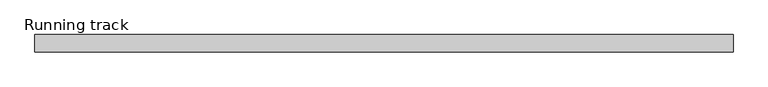
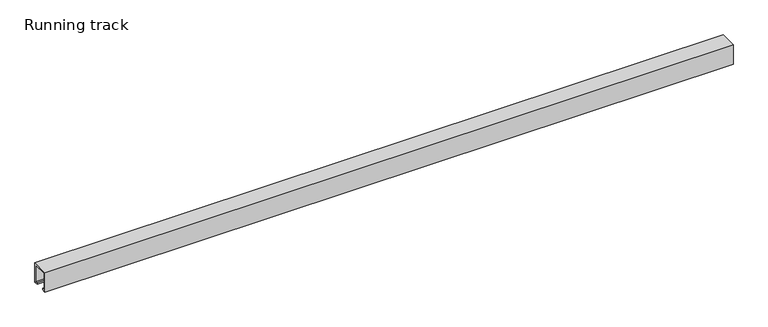
"""IFC4 building model written with IfcOpenShell, lengths in millimetres: proxy geometry, Running track."""

from ifc_helpers import new_model, si_unit, point, frame, frame_2d, origin, origin_with_axes, place, context, project, spatial, polyline, circle_curve, trimmed, segment, composite_curve, outline, extrude, faceted_brep, source, transform, mapped, element, save


def running_track_abf0ee90(model_context):
    return source(origin(), model_context, "Body", "SolidModel", [
        extrude(outline(polyline([(36.5, 1257.1109747), (36.5, 1233.4983788), (33.2695661, 1233.4983788), (33.2695661, 1235.332539), (24.3170527, 1310.6793739), (32.9021554, 1310.6793739), (36.5, 1257.1109747)])), frame((0.0, -12.5, 0.0), z_axis=(0.0, 1.0, 0.0), x_axis=(0.0, 0.0, 1.0)), (0.0, 0.0, 1.0), 25.031559),
        extrude(outline(composite_curve([segment(trimmed(circle_curve(frame_2d((0.0, 18.67839)), 6.3335878), [point((-6.3335878, 18.67839))], [point((6.3335878, 18.67839))], False, "CARTESIAN"), True, "CONTINUOUS"), segment(trimmed(circle_curve(frame_2d((0.0, 18.67839)), 6.3335878), [point((6.3335878, 18.67839))], [point((-6.3335878, 18.67839))], False, "CARTESIAN"), True, "CONTINUOUS")], self_intersect=False)), frame((1268.0, 0.0, 0.0), z_axis=(1.0, 0.0, 0.0), x_axis=(0.0, 1.0, 0.0)), (0.0, 0.0, 1.0), 4.0),
        faceted_brep([(1314.5, -14.5, 36.5), (1272.0, -14.5, 36.5), (1272.0, -14.5, 3.0), (1314.5, -14.5, 3.0), (1314.5, 14.5, 36.5), (1314.5, 14.5, 3.0), (1272.0, 14.5, 3.0), (1272.0, 14.5, 36.5), (1272.0, 12.531559, 36.5), (1311.9235205, 12.531559, 36.5), (1311.9235205, -12.5, 36.5), (1272.0, -12.5, 36.5), (1272.0, -12.5, 25.3706125), (1272.0, 12.531559, 25.3706125), (1311.9235205, -12.5, 25.3706125), (1311.9235205, 12.531559, 25.3706125)], [[[0, 1, 2, 3]], [[4, 5, 6, 7]], [[1, 0, 4, 7, 8, 9, 10, 11]], [[2, 1, 11, 12, 13, 8, 7, 6]], [[3, 2, 6, 5]], [[0, 3, 5, 4]], [[14, 12, 11, 10]], [[15, 9, 8, 13]], [[15, 14, 10, 9]], [[14, 15, 13, 12]]]),
        extrude(outline(polyline([(1314.5, -12.5), (1270.0024224, -12.5), (1270.0024224, 12.531559), (1314.5, 12.531559), (1314.5, -12.5)])), origin_with_axes(), (0.0, 0.0, 1.0), 3.0),
        extrude(outline(polyline([(17.0, 40.0), (17.0, 0.0), (9.0, 0.0), (9.0, 3.0), (14.0, 3.0), (14.0, 37.0), (-14.0, 37.0), (-14.0, 3.0), (-9.0, 3.0), (-9.0, 0.0), (-17.0, 0.0), (-17.0, 40.0), (17.0, 40.0)])), frame((0.0, 0.0, 0.0), z_axis=(1.0, 0.0, 0.0), x_axis=(0.0, 1.0, 0.0)), (0.0, 0.0, 1.0), 1350.0),
    ])


if __name__ == "__main__":
    model = new_model("IFC4")
    model_context = context("Model", 3, world=origin())
    ifc_project = project(units=[si_unit("LENGTHUNIT", "METRE", prefix="MILLI")], contexts=[model_context])
    site = spatial("IfcSite", under=ifc_project)
    building = spatial("IfcBuilding", under=site)
    placement = place(None, origin())
    running_track_shape = running_track_abf0ee90(model_context)
    element("IfcBuildingElementProxy", 1, Name="Running track", ObjectType="Running track", at=placement, inside=building, context=model_context, shape_type="MappedRepresentation", body=[
        mapped(running_track_shape, transform((0.0, 0.0, 0.0), x_axis=(1.0, 0.0, 0.0), y_axis=(0.0, 1.0, 0.0), z_axis=(0.0, 0.0, 1.0))),
    ])
    save(model, "model.ifc")
